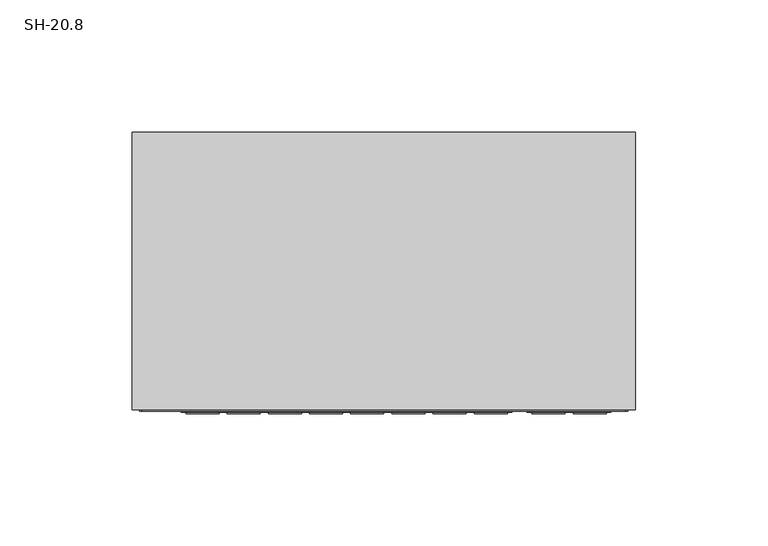
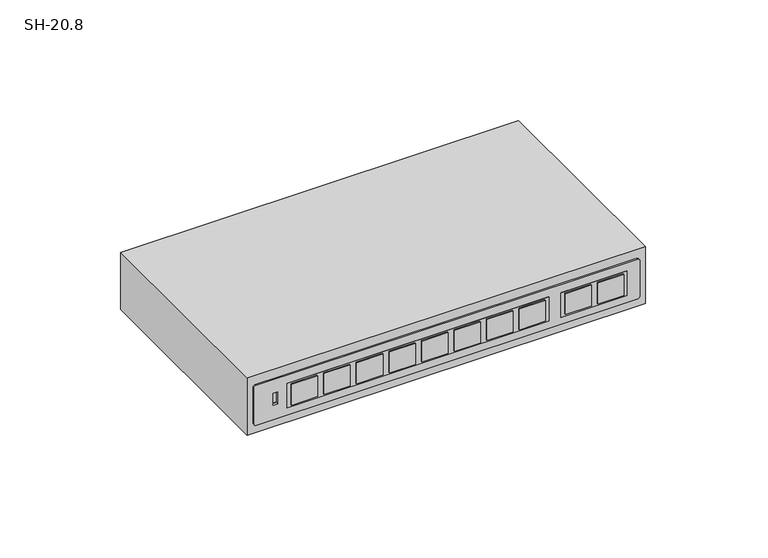
"""IFC4 building model written with IfcOpenShell, lengths in millimetres: proxy geometry, SH-20.8."""

from ifc_helpers import new_model, si_unit, point, frame, frame_2d, origin, place, context, project, spatial, polyline, circle_curve, trimmed, segment, composite_curve, outline, extrude, faceted_brep, source, transform, mapped, element, save


def sh_20_8_863fd8da(model_context):
    return source(origin(), model_context, "Body", "SolidModel", [
        extrude(outline(composite_curve([segment(polyline([(524.1059459, 91.35), (524.1059459, -91.35)]), True, "CONTINUOUS"), segment(trimmed(circle_curve(frame_2d((523.1059459, -91.35)), 1.0), [point((524.1059459, -91.35))], [point((523.1059459, -92.35))], False, "CARTESIAN"), True, "CONTINUOUS"), segment(polyline([(523.1059459, -92.35), (505.1059459, -92.35)]), True, "CONTINUOUS"), segment(trimmed(circle_curve(frame_2d((505.1059459, -91.35)), 1.0), [point((505.1059459, -92.35))], [point((504.1059459, -91.35))], False, "CARTESIAN"), True, "CONTINUOUS"), segment(polyline([(504.1059459, -91.35), (504.1059459, 91.35)]), True, "CONTINUOUS"), segment(trimmed(circle_curve(frame_2d((505.1059459, 91.35)), 1.0), [point((504.1059459, 91.35))], [point((505.1059459, 92.35))], False, "CARTESIAN"), True, "CONTINUOUS"), segment(polyline([(505.1059459, 92.35), (523.1059459, 92.35)]), True, "CONTINUOUS"), segment(trimmed(circle_curve(frame_2d((523.1059459, 91.35)), 1.0), [point((523.1059459, 92.35))], [point((524.1059459, 91.35))], False, "CARTESIAN"), True, "CONTINUOUS")], self_intersect=False), holes=[polyline([(517.1692803, -83.0965754), (517.1692803, -80.9268312), (511.3204046, -80.9268312), (511.3204046, -83.0965754), (517.1692803, -83.0965754)])]), frame((0.0, -105.5, 0.0), z_axis=(0.0, 1.0, 0.0), x_axis=(0.0, 0.0, 1.0)), (0.0, 0.0, 1.0), 1.0),
        extrude(outline(polyline([(46.7342121, -106.5), (34.2575199, -106.5), (34.2575199, -105.0), (46.7342121, -105.0), (46.7342121, -106.5)])), frame((0.0, 0.0, 508.9900685), z_axis=(0.0, 0.0, 1.0), x_axis=(1.0, 0.0, 0.0)), (0.0, 0.0, 1.0), 10.5975835),
        extrude(outline(polyline([(31.1481478, -106.5), (18.6714555, -106.5), (18.6714555, -105.0), (31.1481478, -105.0), (31.1481478, -106.5)])), frame((0.0, 0.0, 508.9900685), z_axis=(0.0, 0.0, 1.0), x_axis=(1.0, 0.0, 0.0)), (0.0, 0.0, 1.0), 10.5975835),
        extrude(outline(polyline([(15.5620835, -106.5), (3.0853912, -106.5), (3.0853912, -105.0), (15.5620835, -105.0), (15.5620835, -106.5)])), frame((0.0, 0.0, 508.9900685), z_axis=(0.0, 0.0, 1.0), x_axis=(1.0, 0.0, 0.0)), (0.0, 0.0, 1.0), 10.5975835),
        extrude(outline(polyline([(-0.0239809, -106.5), (-12.5006731, -106.5), (-12.5006731, -105.0), (-0.0239809, -105.0), (-0.0239809, -106.5)])), frame((0.0, 0.0, 508.9900685), z_axis=(0.0, 0.0, 1.0), x_axis=(1.0, 0.0, 0.0)), (0.0, 0.0, 1.0), 10.5975835),
        extrude(outline(polyline([(-15.6100452, -106.5), (-28.0867375, -106.5), (-28.0867375, -105.0), (-15.6100452, -105.0), (-15.6100452, -106.5)])), frame((0.0, 0.0, 508.9900685), z_axis=(0.0, 0.0, 1.0), x_axis=(1.0, 0.0, 0.0)), (0.0, 0.0, 1.0), 10.5975835),
        extrude(outline(polyline([(-31.1961095, -106.5), (-43.6728018, -106.5), (-43.6728018, -105.0), (-31.1961095, -105.0), (-31.1961095, -106.5)])), frame((0.0, 0.0, 508.9900685), z_axis=(0.0, 0.0, 1.0), x_axis=(1.0, 0.0, 0.0)), (0.0, 0.0, 1.0), 10.5975835),
        extrude(outline(polyline([(-46.7821739, -106.5), (-59.2588661, -106.5), (-59.2588661, -105.0), (-46.7821739, -105.0), (-46.7821739, -106.5)])), frame((0.0, 0.0, 508.9900685), z_axis=(0.0, 0.0, 1.0), x_axis=(1.0, 0.0, 0.0)), (0.0, 0.0, 1.0), 10.5975835),
        extrude(outline(polyline([(-62.3682382, -106.5), (-74.8449305, -106.5), (-74.8449305, -105.0), (-62.3682382, -105.0), (-62.3682382, -106.5)])), frame((0.0, 0.0, 508.9900685), z_axis=(0.0, 0.0, 1.0), x_axis=(1.0, 0.0, 0.0)), (0.0, 0.0, 1.0), 10.5975835),
        extrude(outline(polyline([(48.5671675, -106.0), (-76.7037629, -106.0), (-76.7037629, -105.0), (48.5671675, -105.0), (48.5671675, -106.0)])), frame((0.0, 0.0, 508.0451607), z_axis=(0.0, 0.0, 1.0), x_axis=(1.0, 0.0, 0.0)), (0.0, 0.0, 1.0), 12.3125),
        extrude(outline(polyline([(84.1741317, -106.5), (71.6974394, -106.5), (71.6974394, -105.0), (84.1741317, -105.0), (84.1741317, -106.5)])), frame((0.0, 0.0, 508.9900685), z_axis=(0.0, 0.0, 1.0), x_axis=(1.0, 0.0, 0.0)), (0.0, 0.0, 1.0), 10.5975835),
        extrude(outline(polyline([(68.5880673, -106.5), (56.1113751, -106.5), (56.1113751, -105.0), (68.5880673, -105.0), (68.5880673, -106.5)])), frame((0.0, 0.0, 508.9900685), z_axis=(0.0, 0.0, 1.0), x_axis=(1.0, 0.0, 0.0)), (0.0, 0.0, 1.0), 10.5975835),
        extrude(outline(polyline([(86.0047423, -106.0), (54.2525427, -106.0), (54.2525427, -105.0), (86.0047423, -105.0), (86.0047423, -106.0)])), frame((0.0, 0.0, 508.0451607), z_axis=(0.0, 0.0, 1.0), x_axis=(1.0, 0.0, 0.0)), (0.0, 0.0, 1.0), 12.3125),
        faceted_brep([(95.25, 0.0, 529.0), (-95.25, 0.0, 529.0), (-95.25, -105.0, 529.0), (95.25, -105.0, 529.0), (95.25, 0.0, 500.0), (95.25, -105.0, 500.0), (-95.25, -105.0, 500.0), (-95.25, 0.0, 500.0), (-83.0965754, -105.0, 517.1692803), (-80.9268312, -105.0, 517.1692803), (-80.9268312, -105.0, 511.3204046), (-83.0965754, -105.0, 511.3204046), (-80.9268312, -104.0, 517.1692803), (-83.0965754, -104.0, 517.1692803), (-83.0965754, -104.0, 511.3204046), (-80.9268312, -104.0, 511.3204046)], [[[0, 1, 2, 3]], [[4, 5, 6, 7]], [[1, 0, 4, 7]], [[2, 1, 7, 6]], [[3, 2, 6, 5], [8, 9, 10, 11]], [[0, 3, 5, 4]], [[12, 13, 14, 15]], [[13, 12, 9, 8]], [[14, 13, 8, 11]], [[15, 14, 11, 10]], [[12, 15, 10, 9]]]),
    ])


if __name__ == "__main__":
    model = new_model("IFC4")
    model_context = context("Model", 3, world=origin())
    ifc_project = project(units=[si_unit("LENGTHUNIT", "METRE", prefix="MILLI")], contexts=[model_context])
    site = spatial("IfcSite", under=ifc_project)
    building = spatial("IfcBuilding", under=site)
    placement = place(None, origin())
    sh_20_8_shape = sh_20_8_863fd8da(model_context)
    element("IfcBuildingElementProxy", 1, Name="SH-20.8", ObjectType="SH-20.8", at=placement, inside=building, context=model_context, shape_type="MappedRepresentation", body=[
        mapped(sh_20_8_shape, transform((0.0, 0.0, 0.0), x_axis=(1.0, 0.0, 0.0), y_axis=(0.0, 1.0, 0.0), z_axis=(0.0, 0.0, 1.0))),
    ])
    save(model, "model.ifc")
